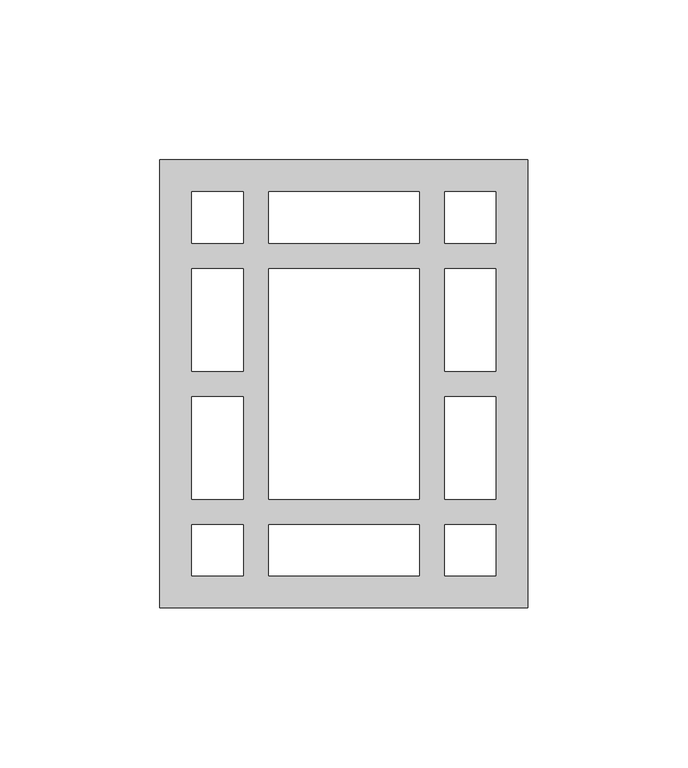
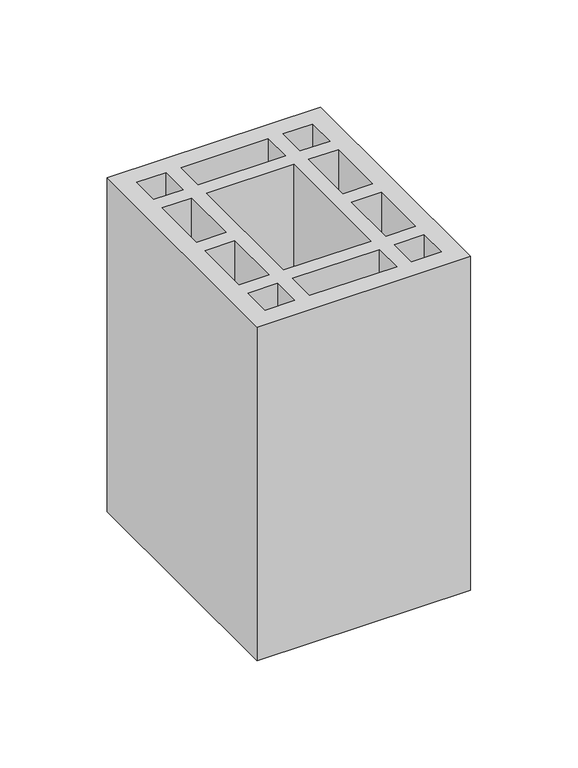
"""IFC4 building model written with IfcOpenShell, lengths in millimetres: proxy geometry."""

from ifc_helpers import new_model, si_unit, origin, origin_with_axes, place, context, project, spatial, polyline, outline, extrude, source, transform, mapped, element, save


def generic_models_2be501a2(model_context):
    return source(origin(), model_context, "Body", "SweptSolid", [
        extrude(outline(polyline([(115.0, 0.0), (0.0, 0.0), (0.0, 140.0), (115.0, 140.0), (115.0, 0.0)]), holes=[polyline([(89.0, 10.0), (105.0, 10.0), (105.0, 26.0), (89.0, 26.0), (89.0, 10.0)]), polyline([(89.0, 130.0), (89.0, 114.0), (105.0, 114.0), (105.0, 130.0), (89.0, 130.0)]), polyline([(26.0, 10.0), (26.0, 26.0), (10.0, 26.0), (10.0, 10.0), (26.0, 10.0)]), polyline([(26.0, 130.0), (10.0, 130.0), (10.0, 114.0), (26.0, 114.0), (26.0, 130.0)]), polyline([(81.0, 26.0), (34.0, 26.0), (34.0, 10.0), (81.0, 10.0), (81.0, 26.0)]), polyline([(81.0, 114.0), (81.0, 130.0), (34.0, 130.0), (34.0, 114.0), (81.0, 114.0)]), polyline([(89.0, 34.0), (105.0, 34.0), (105.0, 66.0), (89.0, 66.0), (89.0, 34.0)]), polyline([(89.0, 106.0), (89.0, 74.0), (105.0, 74.0), (105.0, 106.0), (89.0, 106.0)]), polyline([(26.0, 34.0), (26.0, 66.0), (10.0, 66.0), (10.0, 34.0), (26.0, 34.0)]), polyline([(26.0, 106.0), (10.0, 106.0), (10.0, 74.0), (26.0, 74.0), (26.0, 106.0)]), polyline([(81.0, 106.0), (34.0, 106.0), (34.0, 34.0), (81.0, 34.0), (81.0, 106.0)])]), origin_with_axes(), (0.0, 0.0, 1.0), 190.0),
    ])


if __name__ == "__main__":
    model = new_model("IFC4")
    model_context = context("Model", 3, world=origin())
    ifc_project = project(units=[si_unit("LENGTHUNIT", "METRE", prefix="MILLI")], contexts=[model_context])
    site = spatial("IfcSite", under=ifc_project)
    building = spatial("IfcBuilding", under=site)
    placement = place(None, origin())
    generic_models_shape = generic_models_2be501a2(model_context)
    element("IfcBuildingElementProxy", 1, Name="Generic Models", at=placement, inside=building, context=model_context, shape_type="MappedRepresentation", body=[
        mapped(generic_models_shape, transform((0.0, 0.0, 0.0), x_axis=(1.0, 0.0, 0.0), y_axis=(0.0, 1.0, 0.0), z_axis=(0.0, 0.0, 1.0))),
    ])
    save(model, "model.ifc")
